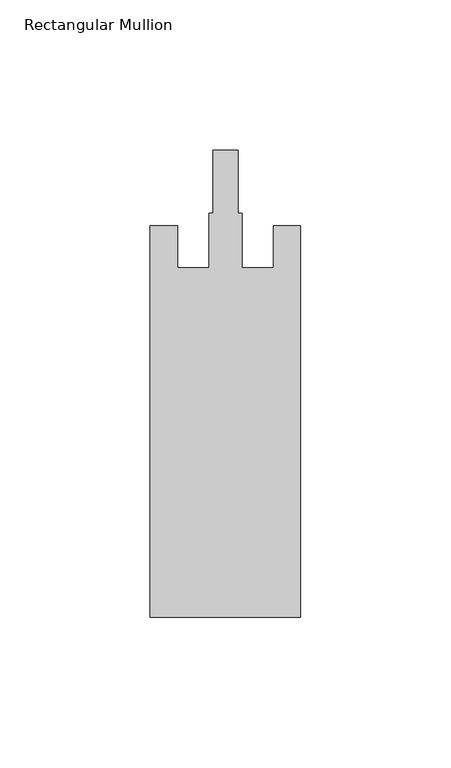
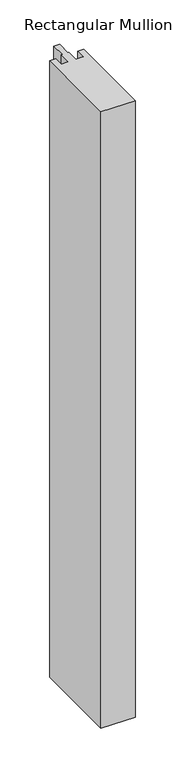
"""IFC4 building model written with IfcOpenShell, lengths in millimetres: member geometry, Rectangular Mullion."""

from ifc_helpers import new_model, si_unit, frame, origin, place, context, project, spatial, polyline, outline, extrude, source, transform, mapped, element, save


def rectangular_mullion_2ebecf49(model_context):
    return source(origin(), model_context, "Body", "SweptSolid", [
        extrude(outline(polyline([(0.0, -162.0), (-50.0, -162.0), (-50.0, -32.0), (-41.0, -32.0), (-41.0, -46.0), (-30.5, -46.0), (-30.5, -27.8), (-29.1, -27.8), (-29.1, -7.0), (-20.9, -7.0), (-20.9, -27.8), (-19.5, -27.8), (-19.5, -46.0), (-9.0, -46.0), (-9.0, -32.0), (0.0, -32.0), (0.0, -162.0)])), frame((0.0, 0.0, -950.0), z_axis=(0.0, 0.0, 1.0), x_axis=(1.0, 0.0, 0.0)), (0.0, 0.0, 1.0), 950.0),
    ])


if __name__ == "__main__":
    model = new_model("IFC4")
    model_context = context("Model", 3, world=origin())
    ifc_project = project(units=[si_unit("LENGTHUNIT", "METRE", prefix="MILLI")], contexts=[model_context])
    site = spatial("IfcSite", under=ifc_project)
    building = spatial("IfcBuilding", under=site)
    placement = place(None, origin())
    rectangular_mullion_shape = rectangular_mullion_2ebecf49(model_context)
    element("IfcMember", 1, ObjectType="Rectangular Mullion", at=placement, inside=building, context=model_context, shape_type="MappedRepresentation", body=[
        mapped(rectangular_mullion_shape, transform((0.0, 0.0, 0.0), x_axis=(1.0, 0.0, 0.0), y_axis=(0.0, 1.0, 0.0), z_axis=(0.0, 0.0, 1.0))),
    ])
    save(model, "model.ifc")
